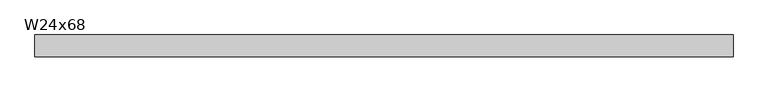
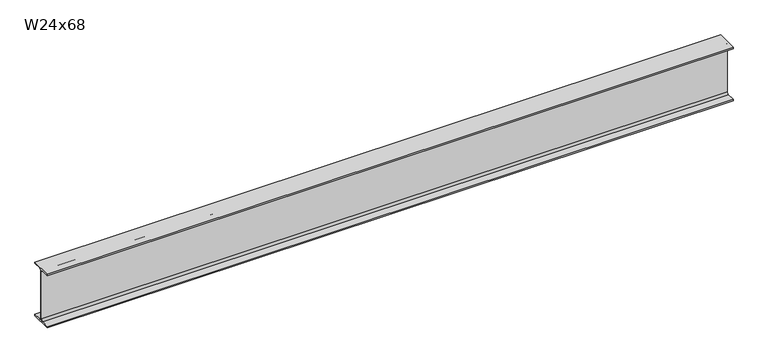
"""IFC4 building model written with IfcOpenShell, lengths in millimetres: beam geometry, W24x68."""

from ifc_helpers import new_model, si_unit, point, frame, frame_2d, origin, place, context, project, spatial, polyline, circle_curve, trimmed, segment, composite_curve, outline, extrude, source, transform, mapped, element, save


def w24x68_a42b4f01(model_context):
    return source(origin(), model_context, "Body", "SweptSolid", [
        extrude(outline(composite_curve([segment(polyline([(113.919, -286.131), (113.919, -300.99), (-113.919, -300.99), (-113.919, -286.131), (-28.5115, -286.131)]), True, "CONTINUOUS"), segment(trimmed(circle_curve(frame_2d((-28.5115, -262.89)), 23.241), [point((-28.5115, -286.131))], [point((-5.2705, -262.89))], True, "CARTESIAN"), True, "CONTINUOUS"), segment(polyline([(-5.2705, -262.89), (-5.2705, 262.89)]), True, "CONTINUOUS"), segment(trimmed(circle_curve(frame_2d((-28.5115, 262.89)), 23.241), [point((-5.2705, 262.89))], [point((-28.5115, 286.131))], True, "CARTESIAN"), True, "CONTINUOUS"), segment(polyline([(-28.5115, 286.131), (-113.919, 286.131), (-113.919, 300.99), (113.919, 300.99), (113.919, 286.131), (28.5115, 286.131)]), True, "CONTINUOUS"), segment(trimmed(circle_curve(frame_2d((28.5115, 262.89)), 23.241), [point((28.5115, 286.131))], [point((5.2705, 262.89))], True, "CARTESIAN"), True, "CONTINUOUS"), segment(polyline([(5.2705, 262.89), (5.2705, -262.89)]), True, "CONTINUOUS"), segment(trimmed(circle_curve(frame_2d((28.5115, -262.89)), 23.241), [point((5.2705, -262.89))], [point((28.5115, -286.131))], True, "CARTESIAN"), True, "CONTINUOUS"), segment(polyline([(28.5115, -286.131), (113.919, -286.131)]), True, "CONTINUOUS")], self_intersect=False)), frame((-3643.6393023, 0.0, 0.0), z_axis=(1.0, 0.0, 0.0), x_axis=(0.0, 1.0, 0.0)), (0.0, 0.0, 1.0), 7289.8186045),
    ])


if __name__ == "__main__":
    model = new_model("IFC4")
    model_context = context("Model", 3, world=origin())
    ifc_project = project(units=[si_unit("LENGTHUNIT", "METRE", prefix="MILLI")], contexts=[model_context])
    site = spatial("IfcSite", under=ifc_project)
    building = spatial("IfcBuilding", under=site)
    placement = place(None, origin())
    w24x68_shape = w24x68_a42b4f01(model_context)
    element("IfcBeam", 1, ObjectType="W24x68", at=placement, inside=building, context=model_context, shape_type="MappedRepresentation", body=[
        mapped(w24x68_shape, transform((0.0, 0.0, 0.0), x_axis=(1.0, 0.0, 0.0), y_axis=(0.0, 1.0, 0.0), z_axis=(0.0, 0.0, 1.0))),
    ])
    save(model, "model.ifc")
